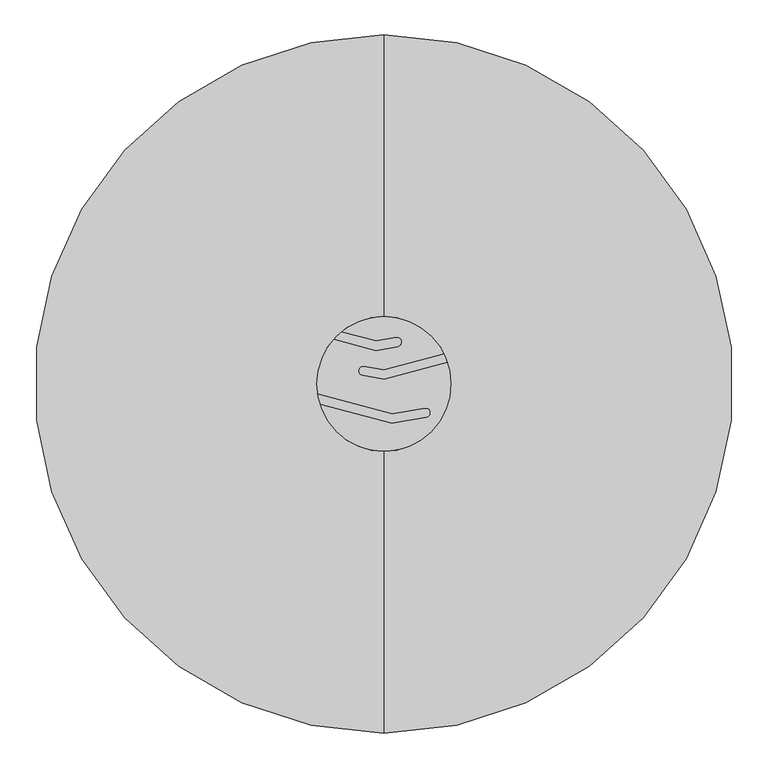
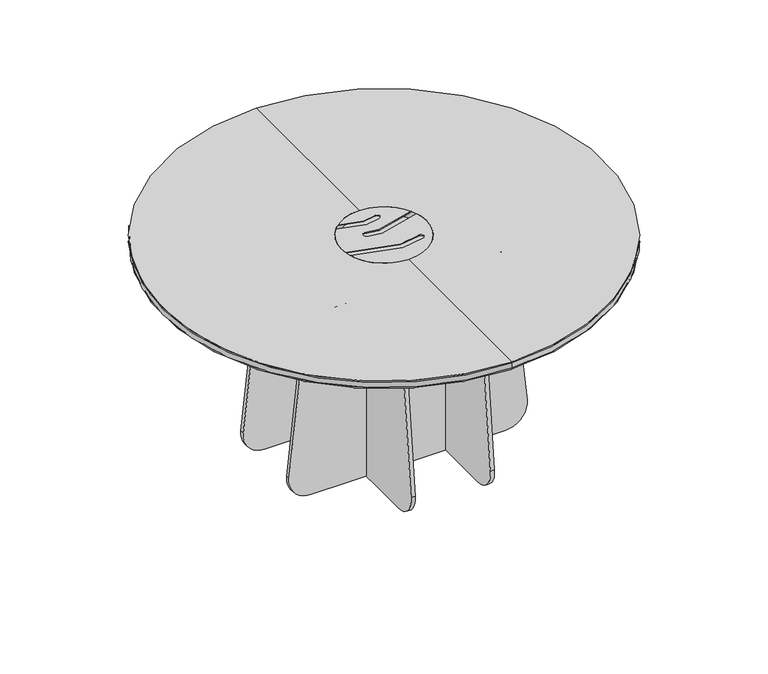
"""IFC4 building model written with IfcOpenShell, lengths in millimetres: furniture geometry."""

from ifc_helpers import new_model, si_unit, point, frame, frame_2d, origin, origin_2d, place, context, project, spatial, polyline, circle_curve, ellipse_curve, trimmed, segment, composite_curve, outline, extrude, source, transform, mapped, element, save
from ifc_brep_helpers import plane_surface, cylinder_surface, revolved_surface, advanced_brep


def furniture_6d91cb97(model_context):
    return source(origin(), model_context, "Body", "SolidModel", [
        advanced_brep(
        [(0.0, -750.0, 707.5331539), (0.0, 750.0, 707.5331539), (0.0, 742.5, 700.0331539), (0.0, -742.5, 700.0331539), (0.0, -750.0, 725.0331674), (0.0, 750.0, 725.0331674), (0.0, -750.0, 730.0), (0.0, 750.0, 730.0), (0.0, -145.0, 730.0), (-145.0, 0.0, 730.0), (0.0, 145.0, 730.0), (145.0, 0.0, 730.0), (0.0, 0.0, 700.0331539), (-145.0, 0.0, 702.6632789), (145.0, 0.0, 702.6632789)],
        [
            (0, 1, circle_curve(frame((0.0, 0.0, 707.5331539), z_axis=(0.0, 0.0, -1.0), x_axis=(0.0, 1.0, 0.0)), 750.0)),
            (1, 2, circle_curve(frame((0.0, 742.5, 707.5331539), z_axis=(-1.0, 0.0, 0.0), x_axis=(0.0, -1.0, 0.0)), 7.5)),
            (2, 3, circle_curve(frame((0.0, 0.0, 700.0331539), z_axis=(0.0, 0.0, 1.0), x_axis=(0.0, 1.0, 0.0)), 742.5)),
            (3, 0, circle_curve(frame((0.0, -742.5, 707.5331539), z_axis=(-1.0, 0.0, 0.0), x_axis=(0.0, 1.0, 0.0)), 7.5)),
            (1, 0, circle_curve(frame((0.0, 0.0, 707.5331539), z_axis=(0.0, 0.0, -1.0), x_axis=(0.0, 1.0, 0.0)), 750.0)),
            (3, 2, circle_curve(frame((0.0, 0.0, 700.0331539), z_axis=(0.0, 0.0, 1.0), x_axis=(0.0, 1.0, 0.0)), 742.5)),
            (0, 4),
            (4, 5, circle_curve(frame((0.0, 0.0, 725.0331674), z_axis=(0.0, 0.0, -1.0), x_axis=(0.0, 1.0, 0.0)), 750.0)),
            (5, 1),
            (5, 4, circle_curve(frame((0.0, 0.0, 725.0331674), z_axis=(0.0, 0.0, -1.0), x_axis=(0.0, 1.0, 0.0)), 750.0)),
            (4, 6),
            (6, 7, circle_curve(frame((0.0, 0.0, 730.0), z_axis=(0.0, 0.0, -1.0), x_axis=(0.0, 1.0, 0.0)), 750.0)),
            (7, 5),
            (7, 6, circle_curve(frame((0.0, 0.0, 730.0), z_axis=(0.0, 0.0, -1.0), x_axis=(0.0, 1.0, 0.0)), 750.0)),
            (6, 8),
            (8, 9, circle_curve(frame((0.0, 0.0, 730.0), z_axis=(0.0, 0.0, -1.0), x_axis=(1.0, 0.0, 0.0)), 145.0)),
            (9, 10, circle_curve(frame((0.0, 0.0, 730.0), z_axis=(0.0, 0.0, -1.0), x_axis=(1.0, 0.0, 0.0)), 145.0)),
            (10, 7),
            (10, 11, circle_curve(frame((0.0, 0.0, 730.0), z_axis=(0.0, 0.0, -1.0), x_axis=(1.0, 0.0, 0.0)), 145.0)),
            (11, 8, circle_curve(frame((0.0, 0.0, 730.0), z_axis=(0.0, 0.0, -1.0), x_axis=(1.0, 0.0, 0.0)), 145.0)),
            (2, 12),
            (12, 3),
            (13, 14, circle_curve(frame((0.0, 0.0, 702.6632789), z_axis=(0.0, 0.0, 1.0), x_axis=(1.0, 0.0, 0.0)), 145.0)),
            (14, 13, circle_curve(frame((0.0, 0.0, 702.6632789), z_axis=(0.0, 0.0, 1.0), x_axis=(1.0, 0.0, 0.0)), 145.0)),
            (13, 9),
            (11, 14),
        ],
        [
            revolved_surface(trimmed(ellipse_curve(frame((0.0, 742.5, 707.5331539), z_axis=(1.0, 0.0, 0.0), x_axis=(0.0, -1.0, 0.0)), 7.5, 7.5), [point((0.0, 742.5, 700.0331539))], [point((0.0, 750.0, 707.5331539))], True, "CARTESIAN"), (0.0, 0.0, 980.0), (0.0, 0.0, 1.0)),
            cylinder_surface(frame((0.0, 0.0, 980.0), z_axis=(0.0, 0.0, 1.0), x_axis=(0.0, 1.0, 0.0)), 750.0),
            plane_surface(frame((0.0, 0.0, 730.0), z_axis=(0.0, 0.0, 1.0), x_axis=(0.0, 1.0, 0.0))),
            plane_surface(frame((0.0, 0.0, 700.0331539), z_axis=(0.0, 0.0, -1.0), x_axis=(0.0, 1.0, 0.0))),
            plane_surface(frame((145.0, 0.0, 702.6632789), z_axis=(0.0, 0.0, 1.0), x_axis=(0.0, -1.0, 0.0))),
            revolved_surface(polyline([(145.0, 0.0, 730.0), (145.0, 0.0, 702.6632789)]), (0.0, 0.0, 702.6632789), (0.0, 0.0, 1.0)),
        ],
        [
            (0, [[1, 2, 3, 4]]),
            (0, [[-2, 5, -4, 6]]),
            (1, [[-1, 7, 8, 9]]),
            (1, [[-5, -9, 10, -7]]),
            (1, [[-8, 11, 12, 13]]),
            (1, [[-10, -13, 14, -11]]),
            (2, [[-12, 15, 16, 17, 18]]),
            (2, [[-14, -18, 19, 20, -15]]),
            (3, [[-3, 21, 22]]),
            (3, [[-6, -22, -21]]),
            (4, [[23, 24]]),
            (5, [[-23, 25, -16, -20, 26]]),
            (5, [[-24, -26, -19, -17, -25]]),
        ],
    ),
        extrude(outline(composite_curve([segment(trimmed(circle_curve(origin_2d(), 145.0), [point((-143.4635973, -21.0522268))], [point((-108.3690688, 96.338699))], False, "CARTESIAN"), True, "CONTINUOUS"), segment(polyline([(-108.3690688, 96.338699), (-17.217028, 71.9145833), (30.2144383, 80.2780306)]), True, "CONTINUOUS"), segment(trimmed(circle_curve(frame_2d((28.4779566, 90.1261081)), 10.0), [point((30.2144383, 80.2780306))], [point((26.7414748, 99.9741856))], True, "CARTESIAN"), True, "CONTINUOUS"), segment(polyline([(26.7414748, 99.9741856), (-16.3234591, 92.3806759), (-91.463255, 112.5143235)]), True, "CONTINUOUS"), segment(trimmed(circle_curve(origin_2d(), 145.0), [point((-91.463255, 112.5143235))], [point((129.5098534, 65.2088788))], False, "CARTESIAN"), True, "CONTINUOUS"), segment(polyline([(129.5098534, 65.2088788), (0.0, 30.5068182), (-43.0649339, 38.1003279)]), True, "CONTINUOUS"), segment(trimmed(circle_curve(frame_2d((-44.8014157, 28.2522504)), 10.0), [point((-43.0649339, 38.1003279))], [point((-46.5378975, 18.4041729))], True, "CARTESIAN"), True, "CONTINUOUS"), segment(polyline([(-46.5378975, 18.4041729), (0.8935689, 10.0407256), (137.3100639, 46.5934153)]), True, "CONTINUOUS"), segment(trimmed(circle_curve(origin_2d(), 145.0), [point((137.3100639, 46.5934153))], [point((-138.4456235, -43.1023124))], False, "CARTESIAN"), True, "CONTINUOUS"), segment(polyline([(-138.4456235, -43.1023124), (16.9662998, -84.7448118), (91.5378975, -71.5958271)]), True, "CONTINUOUS"), segment(trimmed(circle_curve(frame_2d((89.8014157, -61.7477496)), 10.0), [point((91.5378975, -71.5958271))], [point((88.0649339, -51.8996721))], True, "CARTESIAN"), True, "CONTINUOUS"), segment(polyline([(88.0649339, -51.8996721), (17.8598687, -64.2787192), (-143.4635973, -21.0522268)]), True, "CONTINUOUS")], self_intersect=False)), frame((0.0, 0.0, 727.525898), z_axis=(0.0, 0.0, 1.0), x_axis=(1.0, 0.0, 0.0)), (0.0, 0.0, 1.0), 2.474102),
        extrude(outline(composite_curve([segment(trimmed(circle_curve(frame_2d((698.3873965, 196.2845895)), 8.5), [point((689.8873965, 196.2845895))], [point((698.3873965, 204.7845895))], False, "CARTESIAN"), True, "CONTINUOUS"), segment(polyline([(698.3873965, 204.7845895), (700.000378, 204.7845895), (700.000378, -204.7845895), (698.3873965, -204.7845895)]), True, "CONTINUOUS"), segment(trimmed(circle_curve(frame_2d((698.3873965, -196.2845895)), 8.5), [point((698.3873965, -204.7845895))], [point((689.8873965, -196.2845895))], False, "CARTESIAN"), True, "CONTINUOUS"), segment(polyline([(689.8873965, -196.2845895), (689.8873965, 196.2845895)]), True, "CONTINUOUS")], self_intersect=False)), frame((0.0, 242.5896085, 0.0), z_axis=(0.0, 1.0, 0.0), x_axis=(0.0, 0.0, 1.0)), (0.0, 0.0, 1.0), 40.0000216),
        extrude(outline(composite_curve([segment(trimmed(circle_curve(frame_2d((-196.2845895, 698.3873965)), 8.5), [point((-196.2845895, 689.8873965))], [point((-204.7845895, 698.3873965))], False, "CARTESIAN"), True, "CONTINUOUS"), segment(polyline([(-204.7845895, 698.3873965), (-204.7845895, 700.000378), (204.7845895, 700.000378), (204.7845895, 698.3873965)]), True, "CONTINUOUS"), segment(trimmed(circle_curve(frame_2d((196.2845895, 698.3873965)), 8.5), [point((204.7845895, 698.3873965))], [point((196.2845895, 689.8873965))], False, "CARTESIAN"), True, "CONTINUOUS"), segment(polyline([(196.2845895, 689.8873965), (-196.2845895, 689.8873965)]), True, "CONTINUOUS")], self_intersect=False)), frame((242.5896085, 0.0, 0.0), z_axis=(1.0, 0.0, 0.0), x_axis=(0.0, 1.0, 0.0)), (0.0, 0.0, 1.0), 40.0000216),
        extrude(outline(composite_curve([segment(trimmed(circle_curve(frame_2d((-196.2845895, 698.3873965)), 8.5), [point((-196.2845895, 689.8873965))], [point((-204.7845895, 698.3873965))], False, "CARTESIAN"), True, "CONTINUOUS"), segment(polyline([(-204.7845895, 698.3873965), (-204.7845895, 700.000378), (204.7845895, 700.000378), (204.7845895, 698.3873965)]), True, "CONTINUOUS"), segment(trimmed(circle_curve(frame_2d((196.2845895, 698.3873965)), 8.5), [point((204.7845895, 698.3873965))], [point((196.2845895, 689.8873965))], False, "CARTESIAN"), True, "CONTINUOUS"), segment(polyline([(196.2845895, 689.8873965), (-196.2845895, 689.8873965)]), True, "CONTINUOUS")], self_intersect=False)), frame((-282.5896301, 0.0, 0.0), z_axis=(1.0, 0.0, 0.0), x_axis=(0.0, 1.0, 0.0)), (0.0, 0.0, 1.0), 40.0000216),
        extrude(outline(composite_curve([segment(trimmed(circle_curve(frame_2d((698.3873965, 196.2845895)), 8.5), [point((689.8873965, 196.2845895))], [point((698.3873965, 204.7845895))], False, "CARTESIAN"), True, "CONTINUOUS"), segment(polyline([(698.3873965, 204.7845895), (700.000378, 204.7845895), (700.000378, -204.7845895), (698.3873965, -204.7845895)]), True, "CONTINUOUS"), segment(trimmed(circle_curve(frame_2d((698.3873965, -196.2845895)), 8.5), [point((698.3873965, -204.7845895))], [point((689.8873965, -196.2845895))], False, "CARTESIAN"), True, "CONTINUOUS"), segment(polyline([(689.8873965, -196.2845895), (689.8873965, 196.2845895)]), True, "CONTINUOUS")], self_intersect=False)), frame((0.0, -282.5896301, 0.0), z_axis=(0.0, 1.0, 0.0), x_axis=(0.0, 0.0, 1.0)), (0.0, 0.0, 1.0), 40.0000216),
        extrude(outline(composite_curve([segment(trimmed(circle_curve(frame_2d((328.9885604, 75.0)), 75.0), [point((403.5717494, 82.8960696))], [point((328.9885604, 0.0))], False, "CARTESIAN"), True, "CONTINUOUS"), segment(polyline([(328.9885604, 0.0), (-328.9885604, 0.0)]), True, "CONTINUOUS"), segment(trimmed(circle_curve(frame_2d((-328.9885604, 75.0)), 75.0), [point((-328.9885604, 0.0))], [point((-403.5717494, 82.8960696))], False, "CARTESIAN"), True, "CONTINUOUS"), segment(polyline([(-403.5717494, 82.8960696), (-338.2393517, 700.000378), (338.2393517, 700.000378), (403.5717494, 82.8960696)]), True, "CONTINUOUS")], self_intersect=False)), frame((127.6465142, 0.0, 0.0), z_axis=(1.0, 0.0, 0.0), x_axis=(0.0, 1.0, 0.0)), (0.0, 0.0, 1.0), 13.4999997),
        extrude(outline(composite_curve([segment(trimmed(circle_curve(frame_2d((328.9885604, 75.0)), 75.0), [point((403.5717494, 82.8960696))], [point((328.9885604, 0.0))], False, "CARTESIAN"), True, "CONTINUOUS"), segment(polyline([(328.9885604, 0.0), (-328.9885604, 0.0)]), True, "CONTINUOUS"), segment(trimmed(circle_curve(frame_2d((-328.9885604, 75.0)), 75.0), [point((-328.9885604, 0.0))], [point((-403.5717494, 82.8960696))], False, "CARTESIAN"), True, "CONTINUOUS"), segment(polyline([(-403.5717494, 82.8960696), (-338.2393517, 700.000378), (338.2393517, 700.000378), (403.5717494, 82.8960696)]), True, "CONTINUOUS")], self_intersect=False)), frame((-141.1465138, 0.0, 0.0), z_axis=(1.0, 0.0, 0.0), x_axis=(0.0, 1.0, 0.0)), (0.0, 0.0, 1.0), 13.4999997),
        extrude(outline(composite_curve([segment(trimmed(circle_curve(frame_2d((75.0, -328.9885604)), 75.0), [point((82.8960696, -403.5717494))], [point((0.0, -328.9885604))], False, "CARTESIAN"), True, "CONTINUOUS"), segment(polyline([(0.0, -328.9885604), (0.0, 328.9885604)]), True, "CONTINUOUS"), segment(trimmed(circle_curve(frame_2d((75.0, 328.9885604)), 75.0), [point((0.0, 328.9885604))], [point((82.8960696, 403.5717494))], False, "CARTESIAN"), True, "CONTINUOUS"), segment(polyline([(82.8960696, 403.5717494), (700.000378, 338.2393517), (700.000378, -338.2393517), (82.8960696, -403.5717494)]), True, "CONTINUOUS")], self_intersect=False)), frame((0.0, 127.6465142, 0.0), z_axis=(0.0, 1.0, 0.0), x_axis=(0.0, 0.0, 1.0)), (0.0, 0.0, 1.0), 13.4999997),
        extrude(outline(composite_curve([segment(trimmed(circle_curve(frame_2d((75.0, -328.9885604)), 75.0), [point((82.8960696, -403.5717494))], [point((0.0, -328.9885604))], False, "CARTESIAN"), True, "CONTINUOUS"), segment(polyline([(0.0, -328.9885604), (0.0, 328.9885604)]), True, "CONTINUOUS"), segment(trimmed(circle_curve(frame_2d((75.0, 328.9885604)), 75.0), [point((0.0, 328.9885604))], [point((82.8960696, 403.5717494))], False, "CARTESIAN"), True, "CONTINUOUS"), segment(polyline([(82.8960696, 403.5717494), (700.000378, 338.2393517), (700.000378, -338.2393517), (82.8960696, -403.5717494)]), True, "CONTINUOUS")], self_intersect=False)), frame((0.0, -141.1465138, 0.0), z_axis=(0.0, 1.0, 0.0), x_axis=(0.0, 0.0, 1.0)), (0.0, 0.0, 1.0), 13.4999997),
    ])


if __name__ == "__main__":
    model = new_model("IFC4")
    model_context = context("Model", 3, world=origin())
    ifc_project = project(units=[si_unit("LENGTHUNIT", "METRE", prefix="MILLI")], contexts=[model_context])
    site = spatial("IfcSite", under=ifc_project)
    building = spatial("IfcBuilding", under=site)
    placement = place(None, origin())
    furniture_shape = furniture_6d91cb97(model_context)
    element("IfcFurniture", 1, at=placement, inside=building, context=model_context, shape_type="MappedRepresentation", body=[
        mapped(furniture_shape, transform((0.0, 0.0, 0.0), x_axis=(1.0, 0.0, 0.0), y_axis=(0.0, 1.0, 0.0), z_axis=(0.0, 0.0, 1.0))),
    ])
    save(model, "model.ifc")
